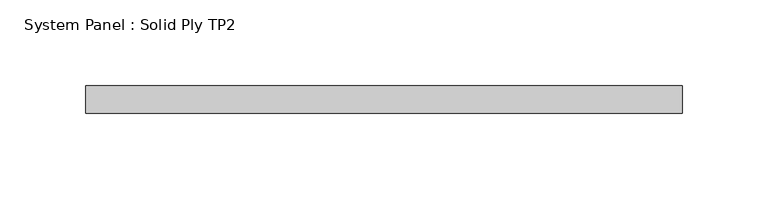
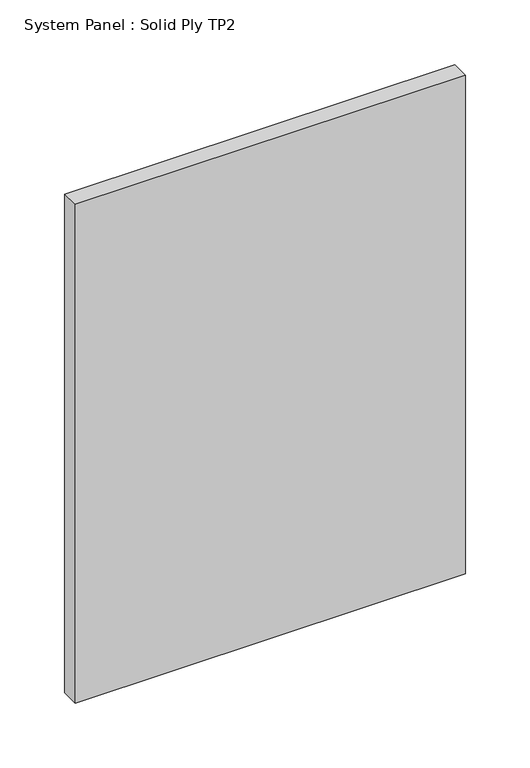
"""IFC4 building model written with IfcOpenShell, lengths in millimetres: plate geometry, System Panel : Solid Ply TP2."""

from ifc_helpers import new_model, si_unit, origin, origin_with_axes, place, context, project, spatial, polyline, outline, extrude, source, transform, mapped, element, save


def system_panel_solid_ply_tp2_8e44fd4b(model_context):
    return source(origin(), model_context, "Body", "SweptSolid", [
        extrude(outline(polyline([(174.0051815, -23.0), (-174.0051815, -23.0), (-174.0051815, -7.0), (174.0051815, -7.0), (174.0051815, -23.0)])), origin_with_axes(), (0.0, 0.0, 1.0), 470.0),
    ])


if __name__ == "__main__":
    model = new_model("IFC4")
    model_context = context("Model", 3, world=origin())
    ifc_project = project(units=[si_unit("LENGTHUNIT", "METRE", prefix="MILLI")], contexts=[model_context])
    site = spatial("IfcSite", under=ifc_project)
    building = spatial("IfcBuilding", under=site)
    placement = place(None, origin())
    system_panel_solid_ply_tp2_shape = system_panel_solid_ply_tp2_8e44fd4b(model_context)
    element("IfcPlate", 1, ObjectType="System Panel : Solid Ply TP2", at=placement, inside=building, context=model_context, shape_type="MappedRepresentation", body=[
        mapped(system_panel_solid_ply_tp2_shape, transform((0.0, 0.0, 0.0), x_axis=(1.0, 0.0, 0.0), y_axis=(0.0, 1.0, 0.0), z_axis=(0.0, 0.0, 1.0))),
    ])
    save(model, "model.ifc")
